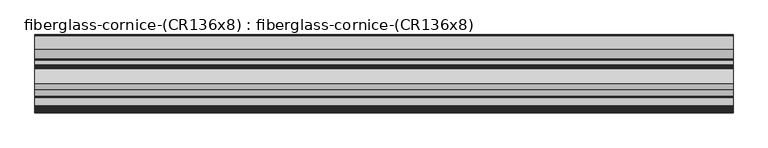
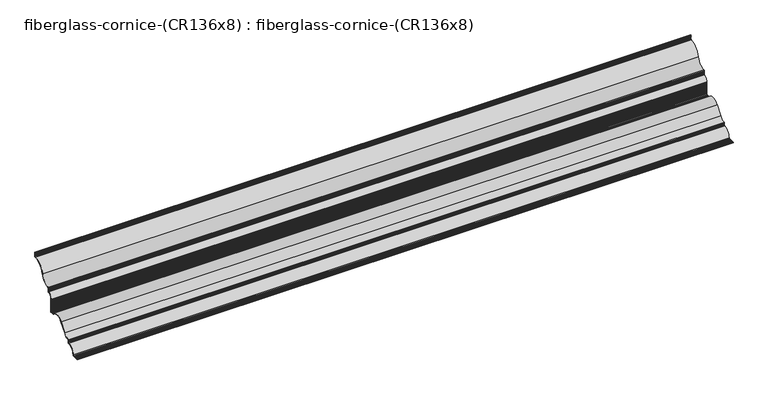
"""IFC4 building model written with IfcOpenShell, lengths in millimetres: furniture geometry, fiberglass-cornice-(CR136x8) : fiberglass-cornice-(CR136x8)."""

from ifc_helpers import new_model, si_unit, frame, origin, place, context, project, spatial, polyline, circle_curve, source, transform, mapped, element, save
from ifc_brep_helpers import plane_surface, cylinder_surface, revolved_surface, advanced_brep


def fiberglass_cornice_cr136x8_fiberglass_cornice_cr136x8_6ef6a0c7(model_context):
    return source(origin(), model_context, "Body", "AdvancedBrep", [
        advanced_brep(
        [(2012.9498044, 552.4499801, 330.1999904), (2012.9498044, 549.2749897, 330.1999904), (2012.9498044, 549.0984705, 326.3833858), (2012.9498044, 549.2879537, 322.5683607), (2012.9498044, 549.1142062, 318.7512197), (2012.9498044, 549.3563202, 315.1094653), (2012.9498044, 549.512395, 311.4700653), (2012.9498044, 549.324402, 307.8281321), (2012.9498044, 549.2749894, 304.1818256), (2012.9498044, 546.2697068, 301.2724053), (2012.9498044, 471.1996857, 237.2562514), (2012.9498044, 412.6023492, 187.5699411), (2012.9498044, 409.574995, 184.195264), (2012.9498044, 409.6268502, 180.9869148), (2012.9498044, 409.3494502, 177.7869798), (2012.9498044, 409.6453873, 174.5780744), (2012.9498044, 409.8799912, 170.4964973), (2012.9498044, 409.6053329, 166.4063074), (2012.9498044, 409.5749944, 162.3249034), (2012.9498044, 406.7339713, 159.5224058), (2012.9498044, 381.1029959, 128.4779186), (2012.9498044, 380.9381214, 123.6200519), (2012.9498044, 381.0920206, 118.7568642), (2012.9498044, 381.2046734, 113.8910986), (2012.9498044, 380.7974545, 109.0275832), (2012.9498044, 381.1490623, 104.1644104), (2012.9498044, 381.0005871, 97.9753174), (2012.9498044, 381.0162631, 91.7786546), (2012.9498044, 380.8961001, 85.5814852), (2012.9498044, 381.1211673, 79.3883987), (2012.9498044, 380.9253064, 73.1885023), (2012.9498044, 381.0460654, 69.9948855), (2012.9498044, 380.7499496, 66.8101348), (2012.9498044, 381.0206738, 63.6180378), (2012.9498044, 381.3124982, 59.5580973), (2012.9498044, 381.0817686, 55.4869063), (2012.9498044, 380.9999912, 51.4244554), (2012.9498044, 377.4921257, 47.6249932), (2012.9498044, 373.4309164, 47.3447777), (2012.9498044, 369.3758932, 47.3287292), (2012.9498044, 365.9395662, 47.6813503), (2012.9498044, 362.5049082, 47.8277691), (2012.9498044, 359.064578, 47.5424397), (2012.9498044, 356.3398446, 48.6977027), (2012.9498044, 272.1961332, 46.3237859), (2012.9498044, 234.9515207, -2.2480043), (2012.9498044, 197.0119983, -22.2026485), (2012.9498044, 193.6516823, -25.8581075), (2012.9498044, 193.9005939, -28.686624), (2012.9498044, 193.9605561, -31.5143354), (2012.9498044, 193.7656489, -35.1153351), (2012.9498044, 193.7044299, -38.7212436), (2012.9498044, 190.8915917, -41.6048943), (2012.9498044, 143.2209018, -89.1490822), (2012.9498044, 139.8122591, -91.9550288), (2012.9498044, 135.6137482, -92.0466189), (2012.9498044, 131.4129916, -92.3979515), (2012.9498044, 127.2131291, -92.1156623), (2012.9498044, 123.0077234, -92.0107698), (2012.9498044, 117.6558224, -92.0107698), (2012.9498044, 112.3036829, -92.2111978), (2012.9498044, 106.9565502, -92.1817536), (2012.9498044, 101.6, -92.0750068), (2012.9498044, 101.6, -95.2500068), (2012.9498044, 142.9684555, -95.2500068), (2012.9498044, 146.1379577, -92.2617715), (2012.9498044, 193.861757, -44.5379722), (2012.9498044, 196.8499923, -41.36847), (2012.9498044, 196.8500105, -28.4366962), (2012.9498044, 199.7991617, -25.258983), (2012.9498044, 237.5545166, -4.0711241), (2012.9498044, 275.5183711, 45.4386265), (2012.9498044, 354.6618139, 45.6798546), (2012.9498044, 357.1712084, 44.4499932), (2012.9498044, 380.999991, 44.4499888), (2012.9498044, 384.1749923, 47.6249932), (2012.9498044, 384.1750113, 130.1744654), (2012.9498044, 409.6920981, 156.4870046), (2012.9498044, 412.7500144, 158.750067), (2012.9498044, 412.7500144, 181.4169244), (2012.9498044, 415.6441319, 184.5913306), (2012.9498044, 474.3057972, 236.5984546), (2012.9498044, 549.3159291, 298.1923204), (2012.9498044, 552.4499801, 301.3582694), (-2012.9498044, 552.4499801, 330.1999904), (-2012.9498044, 552.4499801, 301.3582694), (-2012.9498044, 549.3159291, 298.1923204), (-2012.9498044, 474.3057972, 236.5984546), (-2012.9498044, 415.6441319, 184.5913306), (-2012.9498044, 412.7500144, 181.4169244), (-2012.9498044, 412.7500144, 158.750067), (-2012.9498044, 409.6920981, 156.4870046), (-2012.9498044, 384.1750113, 130.1744654), (-2012.9498044, 384.1750113, 47.6249941), (-2012.9498044, 380.9999923, 44.4499932), (-2012.9498044, 357.1711865, 44.4499888), (-2012.9498044, 354.6618139, 45.6798546), (-2012.9498044, 275.5183711, 45.4386265), (-2012.9498044, 237.5545166, -4.0711241), (-2012.9498044, 199.7991617, -25.258983), (-2012.9498044, 196.8500105, -28.4366962), (-2012.9498044, 196.8500105, -41.3684696), (-2012.9498044, 193.861757, -44.5379722), (-2012.9498044, 146.1379577, -92.2617715), (-2012.9498044, 142.9684555, -95.2500068), (-2012.9498044, 101.6, -95.2500068), (-2012.9498044, 101.6, -92.0750068), (-2012.9498044, 106.9565502, -92.1817536), (-2012.9498044, 112.3036829, -92.2111978), (-2012.9498044, 117.6558224, -92.0107698), (-2012.9498044, 123.0077234, -92.0107698), (-2012.9498044, 127.2131291, -92.1156623), (-2012.9498044, 131.4129916, -92.3979515), (-2012.9498044, 135.6137482, -92.0466189), (-2012.9498044, 139.8122591, -91.9550288), (-2012.9498044, 143.2209018, -89.1490822), (-2012.9498044, 190.8915917, -41.6048943), (-2012.9498044, 193.7044299, -38.7212436), (-2012.9498044, 193.7656489, -35.1153351), (-2012.9498044, 193.9605561, -31.5143354), (-2012.9498044, 193.9005939, -28.686624), (-2012.9498044, 193.6516823, -25.8581075), (-2012.9498044, 197.0119983, -22.2026485), (-2012.9498044, 234.9515207, -2.2480043), (-2012.9498044, 272.1961332, 46.3237859), (-2012.9498044, 356.3398446, 48.6977027), (-2012.9498044, 359.064578, 47.5424397), (-2012.9498044, 362.5049082, 47.8277691), (-2012.9498044, 365.9395662, 47.6813503), (-2012.9498044, 369.3758932, 47.3287292), (-2012.9498044, 373.4309164, 47.3447777), (-2012.9498044, 377.4921257, 47.6249932), (-2012.9498044, 380.9999912, 51.4244554), (-2012.9498044, 381.0817686, 55.4869063), (-2012.9498044, 381.3124982, 59.5580973), (-2012.9498044, 381.0206738, 63.6180378), (-2012.9498044, 380.7499496, 66.8101348), (-2012.9498044, 381.0460654, 69.9948855), (-2012.9498044, 380.9253064, 73.1885023), (-2012.9498044, 381.1211673, 79.3883987), (-2012.9498044, 380.8961001, 85.5814852), (-2012.9498044, 381.0162631, 91.7786546), (-2012.9498044, 381.0005871, 97.9753174), (-2012.9498044, 381.1490623, 104.1644104), (-2012.9498044, 380.7974545, 109.0275832), (-2012.9498044, 381.2046734, 113.8910986), (-2012.9498044, 381.0920206, 118.7568642), (-2012.9498044, 380.9381214, 123.6200519), (-2012.9498044, 381.1029959, 128.4779186), (-2012.9498044, 406.7339713, 159.5224058), (-2012.9498044, 409.5749944, 162.3249034), (-2012.9498044, 409.6053329, 166.4063074), (-2012.9498044, 409.8799912, 170.4964973), (-2012.9498044, 409.6453873, 174.5780744), (-2012.9498044, 409.3494502, 177.7869798), (-2012.9498044, 409.6268502, 180.9869148), (-2012.9498044, 409.574995, 184.195264), (-2012.9498044, 412.6023492, 187.5699411), (-2012.9498044, 471.1996857, 237.2562514), (-2012.9498044, 546.2697068, 301.2724053), (-2012.9498044, 549.2749894, 304.1818256), (-2012.9498044, 549.324402, 307.8281321), (-2012.9498044, 549.512395, 311.4700653), (-2012.9498044, 549.3563202, 315.1094653), (-2012.9498044, 549.1142062, 318.7512197), (-2012.9498044, 549.2879537, 322.5683607), (-2012.9498044, 549.0984705, 326.3833858), (-2012.9498044, 549.2749897, 330.1999904)],
        [
            (0, 1),
            (1, 2),
            (2, 3),
            (3, 4),
            (4, 5),
            (5, 6),
            (6, 7),
            (7, 8),
            (8, 9, circle_curve(frame((2012.9498044, 546.1107848, 304.4434255), z_axis=(-1.0, 0.0, 0.0), x_axis=(0.0, 1.0, 0.0)), 3.175)),
            (9, 10, circle_curve(frame((2012.9498044, 550.3177251, 220.5010295), z_axis=(1.0, 0.0, 0.0), x_axis=(0.0, 1.0, 0.0)), 80.8727495)),
            (10, 11, circle_curve(frame((2012.9498044, 409.8125305, 250.2565155), z_axis=(-1.0, 0.0, 0.0), x_axis=(0.0, 1.0, 0.0)), 62.748623)),
            (11, 12, circle_curve(frame((2012.9498044, 412.7435105, 184.3980807), z_axis=(1.0, 0.0, 0.0), x_axis=(0.0, 1.0, 0.0)), 3.175)),
            (12, 13),
            (13, 14),
            (14, 15),
            (15, 16),
            (16, 17),
            (17, 18),
            (18, 19, circle_curve(frame((2012.9498044, 406.4201235, 162.6818559), z_axis=(-1.0, 0.0, 0.0), x_axis=(0.0, 1.0, 0.0)), 3.175)),
            (19, 20, circle_curve(frame((2012.9498044, 409.5586011, 131.0873554), z_axis=(1.0, 0.0, 0.0), x_axis=(0.0, 1.0, 0.0)), 28.575)),
            (20, 21),
            (21, 22),
            (22, 23),
            (23, 24),
            (24, 25),
            (25, 26),
            (26, 27),
            (27, 28),
            (28, 29),
            (29, 30),
            (30, 31),
            (31, 32),
            (32, 33),
            (33, 34),
            (34, 35),
            (35, 36),
            (36, 37, circle_curve(frame((2012.9498044, 377.8921903, 50.7746874), z_axis=(-1.0, 0.0, 0.0), x_axis=(0.0, 1.0, 0.0)), 3.175)),
            (37, 38),
            (38, 39),
            (39, 40),
            (40, 41),
            (41, 42),
            (42, 43, circle_curve(frame((2012.9498044, 358.798746, 50.7062915), z_axis=(-1.0, 0.0, 0.0), x_axis=(0.0, 1.0, 0.0)), 3.175)),
            (43, 44, circle_curve(frame((2012.9498044, 315.1829984, 15.0781422), z_axis=(1.0, 0.0, 0.0), x_axis=(0.0, 1.0, 0.0)), 53.1428343)),
            (44, 45),
            (45, 46, circle_curve(frame((2012.9498044, 196.1858731, 25.4123516), z_axis=(-1.0, 0.0, 0.0), x_axis=(0.0, 1.0, 0.0)), 47.6221662)),
            (46, 47, circle_curve(frame((2012.9498044, 197.0714552, -25.6295357), z_axis=(1.0, 0.0, 0.0), x_axis=(0.0, 1.0, 0.0)), 3.427403)),
            (47, 48),
            (48, 49),
            (49, 50),
            (50, 51),
            (51, 52, circle_curve(frame((2012.9498044, 190.5410975, -38.4492995), z_axis=(-1.0, 0.0, 0.0), x_axis=(0.0, 1.0, 0.0)), 3.175)),
            (52, 53, circle_curve(frame((2012.9498044, 196.8499923, -95.2500068), z_axis=(1.0, 0.0, 0.0), x_axis=(0.0, 1.0, 0.0)), 53.975)),
            (53, 54, circle_curve(frame((2012.9498044, 140.0662494, -88.7902043), z_axis=(-1.0, 0.0, 0.0), x_axis=(0.0, 1.0, 0.0)), 3.175)),
            (54, 55),
            (55, 56),
            (56, 57),
            (57, 58),
            (58, 59),
            (59, 60),
            (60, 61),
            (61, 62),
            (62, 63),
            (63, 64),
            (64, 65, circle_curve(frame((2012.9498044, 142.9684555, -92.0750068), z_axis=(1.0, 0.0, 0.0), x_axis=(0.0, 1.0, 0.0)), 3.175)),
            (65, 66, circle_curve(frame((2012.9498044, 196.8499923, -95.2500068), z_axis=(-1.0, 0.0, 0.0), x_axis=(0.0, 1.0, 0.0)), 50.8)),
            (66, 67, circle_curve(frame((2012.9498044, 193.6749923, -41.36847), z_axis=(1.0, 0.0, 0.0), x_axis=(0.0, 1.0, 0.0)), 3.175)),
            (67, 68),
            (68, 69, circle_curve(frame((2012.9498044, 200.0249923, -28.4259414), z_axis=(-1.0, 0.0, 0.0), x_axis=(0.0, 1.0, 0.0)), 3.175)),
            (69, 70, circle_curve(frame((2012.9498044, 196.1858731, 25.4123516), z_axis=(1.0, 0.0, 0.0), x_axis=(0.0, 1.0, 0.0)), 50.8)),
            (70, 71),
            (71, 72, circle_curve(frame((2012.9498044, 315.1829984, 15.0781422), z_axis=(-1.0, 0.0, 0.0), x_axis=(0.0, 1.0, 0.0)), 49.9503921)),
            (72, 73, circle_curve(frame((2012.9498044, 357.1712084, 47.6249932), z_axis=(1.0, 0.0, 0.0), x_axis=(0.0, 1.0, 0.0)), 3.175)),
            (73, 74),
            (74, 75, circle_curve(frame((2012.9498044, 380.9999923, 47.6249932), z_axis=(1.0, 0.0, 0.0), x_axis=(0.0, 1.0, 0.0)), 3.175)),
            (75, 76),
            (76, 77, circle_curve(frame((2012.9498044, 409.5586011, 131.0873554), z_axis=(-1.0, 0.0, 0.0), x_axis=(0.0, 1.0, 0.0)), 25.4)),
            (77, 78, circle_curve(frame((2012.9498044, 409.7087852, 159.6619607), z_axis=(1.0, 0.0, 0.0), x_axis=(0.0, 1.0, 0.0)), 3.175)),
            (78, 79),
            (79, 80, circle_curve(frame((2012.9498044, 415.9249923, 181.4287775), z_axis=(-1.0, 0.0, 0.0), x_axis=(0.0, 1.0, 0.0)), 3.175)),
            (80, 81, circle_curve(frame((2012.9498044, 409.8125305, 250.2565155), z_axis=(1.0, 0.0, 0.0), x_axis=(0.0, 1.0, 0.0)), 65.923623)),
            (81, 82, circle_curve(frame((2012.9498044, 550.3177251, 220.5010295), z_axis=(-1.0, 0.0, 0.0), x_axis=(0.0, 1.0, 0.0)), 77.6977495)),
            (82, 83, circle_curve(frame((2012.9498044, 549.2749923, 301.3670564), z_axis=(1.0, 0.0, 0.0), x_axis=(0.0, 1.0, 0.0)), 3.175)),
            (83, 0),
            (84, 85),
            (85, 86, circle_curve(frame((-2012.9498044, 549.2749923, 301.3670564), z_axis=(-1.0, 0.0, 0.0), x_axis=(0.0, 1.0, 0.0)), 3.175)),
            (86, 87, circle_curve(frame((-2012.9498044, 550.3177251, 220.5010295), z_axis=(1.0, 0.0, 0.0), x_axis=(0.0, 1.0, 0.0)), 77.6977495)),
            (87, 88, circle_curve(frame((-2012.9498044, 409.8125305, 250.2565155), z_axis=(-1.0, 0.0, 0.0), x_axis=(0.0, 1.0, 0.0)), 65.923623)),
            (88, 89, circle_curve(frame((-2012.9498044, 415.9249923, 181.4287775), z_axis=(1.0, 0.0, 0.0), x_axis=(0.0, 1.0, 0.0)), 3.175)),
            (89, 90),
            (90, 91, circle_curve(frame((-2012.9498044, 409.7087852, 159.6619607), z_axis=(-1.0, 0.0, 0.0), x_axis=(0.0, 1.0, 0.0)), 3.175)),
            (91, 92, circle_curve(frame((-2012.9498044, 409.5586011, 131.0873554), z_axis=(1.0, 0.0, 0.0), x_axis=(0.0, 1.0, 0.0)), 25.4)),
            (92, 93),
            (93, 94, circle_curve(frame((-2012.9498044, 380.9999923, 47.6249932), z_axis=(-1.0, 0.0, 0.0), x_axis=(0.0, 1.0, 0.0)), 3.175)),
            (94, 95),
            (95, 96, circle_curve(frame((-2012.9498044, 357.1712084, 47.6249932), z_axis=(-1.0, 0.0, 0.0), x_axis=(0.0, 1.0, 0.0)), 3.175)),
            (96, 97, circle_curve(frame((-2012.9498044, 315.1829984, 15.0781422), z_axis=(1.0, 0.0, 0.0), x_axis=(0.0, 1.0, 0.0)), 49.9503921)),
            (97, 98),
            (98, 99, circle_curve(frame((-2012.9498044, 196.1858731, 25.4123516), z_axis=(-1.0, 0.0, 0.0), x_axis=(0.0, 1.0, 0.0)), 50.8)),
            (99, 100, circle_curve(frame((-2012.9498044, 200.0249923, -28.4259414), z_axis=(1.0, 0.0, 0.0), x_axis=(0.0, 1.0, 0.0)), 3.175)),
            (100, 101),
            (101, 102, circle_curve(frame((-2012.9498044, 193.6749923, -41.36847), z_axis=(-1.0, 0.0, 0.0), x_axis=(0.0, 1.0, 0.0)), 3.175)),
            (102, 103, circle_curve(frame((-2012.9498044, 196.8499923, -95.2500068), z_axis=(1.0, 0.0, 0.0), x_axis=(0.0, 1.0, 0.0)), 50.8)),
            (103, 104, circle_curve(frame((-2012.9498044, 142.9684555, -92.0750068), z_axis=(-1.0, 0.0, 0.0), x_axis=(0.0, 1.0, 0.0)), 3.175)),
            (104, 105),
            (105, 106),
            (106, 107),
            (107, 108),
            (108, 109),
            (109, 110),
            (110, 111),
            (111, 112),
            (112, 113),
            (113, 114),
            (114, 115, circle_curve(frame((-2012.9498044, 140.0662494, -88.7902043), z_axis=(1.0, 0.0, 0.0), x_axis=(0.0, 1.0, 0.0)), 3.175)),
            (115, 116, circle_curve(frame((-2012.9498044, 196.8499923, -95.2500068), z_axis=(-1.0, 0.0, 0.0), x_axis=(0.0, 1.0, 0.0)), 53.975)),
            (116, 117, circle_curve(frame((-2012.9498044, 190.5410975, -38.4492995), z_axis=(1.0, 0.0, 0.0), x_axis=(0.0, 1.0, 0.0)), 3.175)),
            (117, 118),
            (118, 119),
            (119, 120),
            (120, 121),
            (121, 122, circle_curve(frame((-2012.9498044, 197.0714552, -25.6295357), z_axis=(-1.0, 0.0, 0.0), x_axis=(0.0, 1.0, 0.0)), 3.427403)),
            (122, 123, circle_curve(frame((-2012.9498044, 196.1858731, 25.4123516), z_axis=(1.0, 0.0, 0.0), x_axis=(0.0, 1.0, 0.0)), 47.6221662)),
            (123, 124),
            (124, 125, circle_curve(frame((-2012.9498044, 315.1829984, 15.0781422), z_axis=(-1.0, 0.0, 0.0), x_axis=(0.0, 1.0, 0.0)), 53.1428343)),
            (125, 126, circle_curve(frame((-2012.9498044, 358.798746, 50.7062915), z_axis=(1.0, 0.0, 0.0), x_axis=(0.0, 1.0, 0.0)), 3.175)),
            (126, 127),
            (127, 128),
            (128, 129),
            (129, 130),
            (130, 131),
            (131, 132, circle_curve(frame((-2012.9498044, 377.8921903, 50.7746874), z_axis=(1.0, 0.0, 0.0), x_axis=(0.0, 1.0, 0.0)), 3.175)),
            (132, 133),
            (133, 134),
            (134, 135),
            (135, 136),
            (136, 137),
            (137, 138),
            (138, 139),
            (139, 140),
            (140, 141),
            (141, 142),
            (142, 143),
            (143, 144),
            (144, 145),
            (145, 146),
            (146, 147),
            (147, 148),
            (148, 149, circle_curve(frame((-2012.9498044, 409.5586011, 131.0873554), z_axis=(-1.0, 0.0, 0.0), x_axis=(0.0, 1.0, 0.0)), 28.575)),
            (149, 150, circle_curve(frame((-2012.9498044, 406.4201235, 162.6818559), z_axis=(1.0, 0.0, 0.0), x_axis=(0.0, 1.0, 0.0)), 3.175)),
            (150, 151),
            (151, 152),
            (152, 153),
            (153, 154),
            (154, 155),
            (155, 156),
            (156, 157, circle_curve(frame((-2012.9498044, 412.7435105, 184.3980807), z_axis=(-1.0, 0.0, 0.0), x_axis=(0.0, 1.0, 0.0)), 3.175)),
            (157, 158, circle_curve(frame((-2012.9498044, 409.8125305, 250.2565155), z_axis=(1.0, 0.0, 0.0), x_axis=(0.0, 1.0, 0.0)), 62.748623)),
            (158, 159, circle_curve(frame((-2012.9498044, 550.3177251, 220.5010295), z_axis=(-1.0, 0.0, 0.0), x_axis=(0.0, 1.0, 0.0)), 80.8727495)),
            (159, 160, circle_curve(frame((-2012.9498044, 546.1107848, 304.4434255), z_axis=(1.0, 0.0, 0.0), x_axis=(0.0, 1.0, 0.0)), 3.175)),
            (160, 161),
            (161, 162),
            (162, 163),
            (163, 164),
            (164, 165),
            (165, 166),
            (166, 167),
            (167, 84),
            (0, 84),
            (167, 1),
            (166, 2),
            (165, 3),
            (164, 4),
            (163, 5),
            (162, 6),
            (161, 7),
            (160, 8),
            (159, 9),
            (158, 10),
            (157, 11),
            (156, 12),
            (155, 13),
            (154, 14),
            (153, 15),
            (152, 16),
            (151, 17),
            (150, 18),
            (149, 19),
            (148, 20),
            (147, 21),
            (146, 22),
            (145, 23),
            (144, 24),
            (143, 25),
            (142, 26),
            (141, 27),
            (140, 28),
            (139, 29),
            (138, 30),
            (137, 31),
            (136, 32),
            (135, 33),
            (134, 34),
            (133, 35),
            (132, 36),
            (131, 37),
            (130, 38),
            (129, 39),
            (128, 40),
            (127, 41),
            (126, 42),
            (125, 43),
            (124, 44),
            (123, 45),
            (122, 46),
            (121, 47),
            (120, 48),
            (119, 49),
            (118, 50),
            (117, 51),
            (116, 52),
            (115, 53),
            (114, 54),
            (113, 55),
            (112, 56),
            (111, 57),
            (110, 58),
            (109, 59),
            (108, 60),
            (107, 61),
            (106, 62),
            (105, 63),
            (104, 64),
            (103, 65),
            (102, 66),
            (101, 67),
            (100, 68),
            (99, 69),
            (98, 70),
            (97, 71),
            (96, 72),
            (95, 73),
            (94, 74),
            (93, 75),
            (92, 76),
            (91, 77),
            (90, 78),
            (89, 79),
            (88, 80),
            (87, 81),
            (86, 82),
            (85, 83),
        ],
        [
            plane_surface(frame((2012.9498044, 101.6, 330.1999904), z_axis=(1.0, 0.0, 0.0), x_axis=(0.0, 0.0, 1.0))),
            plane_surface(frame((-2012.9498044, 101.6, 330.1999904), z_axis=(-1.0, 0.0, 0.0), x_axis=(0.0, 0.0, 1.0))),
            plane_surface(frame((2012.9498044, 552.4499801, 330.1999904), z_axis=(0.0, 0.0, 1.0), x_axis=(-1.0, 0.0, 0.0))),
            plane_surface(frame((2012.9498044, 549.2749897, 330.1999904), z_axis=(0.0, -0.9989321671430464, 0.04620092474071142), x_axis=(-1.0, 0.0, 0.0))),
            plane_surface(frame((2012.9498044, 549.0984705, 326.3833858), z_axis=(0.0, -0.9987688417866701, -0.049606458008141605), x_axis=(-1.0, 0.0, 0.0))),
            plane_surface(frame((2012.9498044, 549.2879537, 322.5683607), z_axis=(0.0, -0.998965675756781, 0.04547063513739325), x_axis=(-1.0, 0.0, 0.0))),
            plane_surface(frame((2012.9498044, 549.1142062, 318.7512197), z_axis=(0.0, -0.9977973171020496, -0.06633636999378363), x_axis=(-1.0, 0.0, 0.0))),
            plane_surface(frame((2012.9498044, 549.3563202, 315.1094653), z_axis=(0.0, -0.9990817154938739, -0.04284537041289275), x_axis=(-1.0, 0.0, 0.0))),
            plane_surface(frame((2012.9498044, 549.512395, 311.4700653), z_axis=(0.0, -0.998670394492518, 0.0515503944132186), x_axis=(-1.0, 0.0, 0.0))),
            plane_surface(frame((2012.9498044, 549.324402, 307.8281321), z_axis=(0.0, -0.999908192449934, 0.013550153929226316), x_axis=(-1.0, 0.0, 0.0))),
            revolved_surface(polyline([(-2012.9498044, 549.2857848, 304.4434255), (2012.9498044, 549.2857848, 304.4434255)]), (2012.9498044, 546.1107848, 304.4434255), (-1.0, 0.0, 0.0)),
            cylinder_surface(frame((2012.9498044, 550.3177251, 220.5010295), z_axis=(1.0, 0.0, 0.0), x_axis=(0.0, 1.0, 0.0)), 80.8727495),
            revolved_surface(polyline([(-2012.9498044, 472.5611535, 250.2565155), (2012.9498044, 472.5611535, 250.2565155)]), (2012.9498044, 409.8125305, 250.2565155), (-1.0, 0.0, 0.0)),
            cylinder_surface(frame((2012.9498044, 412.7435105, 184.3980807), z_axis=(1.0, 0.0, 0.0), x_axis=(0.0, 1.0, 0.0)), 3.175),
            plane_surface(frame((2012.9498044, 409.574995, 184.195264), z_axis=(0.0, -0.9998694108953011, -0.016160481301112528), x_axis=(-1.0, 0.0, 0.0))),
            plane_surface(frame((2012.9498044, 409.6268502, 180.9869148), z_axis=(0.0, -0.9962635320837003, 0.08636535555481696), x_axis=(-1.0, 0.0, 0.0))),
            plane_surface(frame((2012.9498044, 409.3494502, 177.7869798), z_axis=(0.0, -0.9957743327832589, -0.09183397067564693), x_axis=(-1.0, 0.0, 0.0))),
            plane_surface(frame((2012.9498044, 409.6453873, 174.5780744), z_axis=(0.0, -0.9983521795108804, -0.057384019255145594), x_axis=(-1.0, 0.0, 0.0))),
            plane_surface(frame((2012.9498044, 409.8799912, 170.4964973), z_axis=(0.0, -0.9977530029986814, 0.06699958960406611), x_axis=(-1.0, 0.0, 0.0))),
            plane_surface(frame((2012.9498044, 409.6053329, 166.4063074), z_axis=(0.0, -0.9999723736512529, 0.007433164486208132), x_axis=(-1.0, 0.0, 0.0))),
            revolved_surface(polyline([(-2012.9498044, 409.5951235, 162.6818559), (2012.9498044, 409.5951235, 162.6818559)]), (2012.9498044, 406.4201235, 162.6818559), (-1.0, 0.0, 0.0)),
            cylinder_surface(frame((2012.9498044, 409.5586011, 131.0873554), z_axis=(1.0, 0.0, 0.0), x_axis=(0.0, 1.0, 0.0)), 28.575),
            plane_surface(frame((2012.9498044, 381.1029959, 128.4779186), z_axis=(0.0, -0.9994245457765221, 0.03392016066283531), x_axis=(-1.0, 0.0, 0.0))),
            plane_surface(frame((2012.9498044, 380.9381214, 123.6200519), z_axis=(0.0, -0.9994996492154476, -0.03162991018319983), x_axis=(-1.0, 0.0, 0.0))),
            plane_surface(frame((2012.9498044, 381.0920206, 118.7568642), z_axis=(0.0, -0.9997320974124522, -0.023145915477669872), x_axis=(-1.0, 0.0, 0.0))),
            plane_surface(frame((2012.9498044, 381.2046734, 113.8910986), z_axis=(0.0, -0.9965130226587188, 0.08343737574722708), x_axis=(-1.0, 0.0, 0.0))),
            plane_surface(frame((2012.9498044, 380.7974545, 109.0275832), z_axis=(0.0, -0.997396551255303, -0.07211185439321183), x_axis=(-1.0, 0.0, 0.0))),
            plane_surface(frame((2012.9498044, 381.1490623, 104.1644104), z_axis=(0.0, -0.9997123686334591, 0.023982910608988925), x_axis=(-1.0, 0.0, 0.0))),
            plane_surface(frame((2012.9498044, 381.0005871, 97.9753174), z_axis=(0.0, -0.9999968001921529, -0.002529744148260443), x_axis=(-1.0, 0.0, 0.0))),
            plane_surface(frame((2012.9498044, 381.0162631, 91.7786546), z_axis=(0.0, -0.9998120674144907, 0.019386331585990114), x_axis=(-1.0, 0.0, 0.0))),
            plane_surface(frame((2012.9498044, 380.8961001, 85.5814852), z_axis=(0.0, -0.9993402947106387, -0.036317700473101976), x_axis=(-1.0, 0.0, 0.0))),
            plane_surface(frame((2012.9498044, 381.1211673, 79.3883987), z_axis=(0.0, -0.9995013778616307, 0.031575237967457766), x_axis=(-1.0, 0.0, 0.0))),
            plane_surface(frame((2012.9498044, 380.9253064, 73.1885023), z_axis=(0.0, -0.99928586871539, -0.03778561347561068), x_axis=(-1.0, 0.0, 0.0))),
            plane_surface(frame((2012.9498044, 381.0460654, 69.9948855), z_axis=(0.0, -0.9957052518535082, 0.09257997316559238), x_axis=(-1.0, 0.0, 0.0))),
            plane_surface(frame((2012.9498044, 380.7499496, 66.8101348), z_axis=(0.0, -0.9964228500438858, -0.08450741926257227), x_axis=(-1.0, 0.0, 0.0))),
            plane_surface(frame((2012.9498044, 381.0206738, 63.6180378), z_axis=(0.0, -0.9974266741436433, -0.07169400049341992), x_axis=(-1.0, 0.0, 0.0))),
            plane_surface(frame((2012.9498044, 381.3124982, 59.5580973), z_axis=(0.0, -0.9983979024369766, 0.0565829339063058), x_axis=(-1.0, 0.0, 0.0))),
            plane_surface(frame((2012.9498044, 381.0817686, 55.4869063), z_axis=(0.0, -0.9997974517400681, 0.020125990511436216), x_axis=(-1.0, 0.0, 0.0))),
            revolved_surface(polyline([(-2012.9498044, 381.0671903, 50.7746874), (2012.9498044, 381.0671903, 50.7746874)]), (2012.9498044, 377.8921903, 50.7746874), (-1.0, 0.0, 0.0)),
            plane_surface(frame((2012.9498044, 377.4921257, 47.6249932), z_axis=(0.0, -0.0688343770009092, 0.9976281013197738), x_axis=(-1.0, 0.0, 0.0))),
            plane_surface(frame((2012.9498044, 373.4309164, 47.3447777), z_axis=(0.0, -0.003957665383144824, 0.9999921684116907), x_axis=(-1.0, 0.0, 0.0))),
            plane_surface(frame((2012.9498044, 369.3758932, 47.3287292), z_axis=(0.0, 0.10207965320652505, 0.9947762283052585), x_axis=(-1.0, 0.0, 0.0))),
            plane_surface(frame((2012.9498044, 365.9395662, 47.6813503), z_axis=(0.0, 0.042591124157169376, 0.999092586371768), x_axis=(-1.0, 0.0, 0.0))),
            plane_surface(frame((2012.9498044, 362.5049082, 47.8277691), z_axis=(0.0, -0.08265284873020512, 0.9965783996238239), x_axis=(-1.0, 0.0, 0.0))),
            revolved_surface(polyline([(-2012.9498044, 361.973746, 50.7062915), (2012.9498044, 361.973746, 50.7062915)]), (2012.9498044, 358.798746, 50.7062915), (-1.0, 0.0, 0.0)),
            cylinder_surface(frame((2012.9498044, 315.1829984, 15.0781422), z_axis=(1.0, 0.0, 0.0), x_axis=(0.0, 1.0, 0.0)), 53.1428343),
            plane_surface(frame((2012.9498044, 272.1961332, 46.3237859), z_axis=(0.0, -0.7935571320394871, 0.6084957503461008), x_axis=(-1.0, 0.0, 0.0))),
            revolved_surface(polyline([(-2012.9498044, 243.80803930000002, 25.4123516), (2012.9498044, 243.80803930000002, 25.4123516)]), (2012.9498044, 196.1858731, 25.4123516), (-1.0, 0.0, 0.0)),
            cylinder_surface(frame((2012.9498044, 197.0714552, -25.6295357), z_axis=(1.0, 0.0, 0.0), x_axis=(0.0, 1.0, 0.0)), 3.427403),
            plane_surface(frame((2012.9498044, 193.6516823, -25.8581075), z_axis=(0.0, -0.9961502802986838, -0.08766195902929506), x_axis=(-1.0, 0.0, 0.0))),
            plane_surface(frame((2012.9498044, 193.9005939, -28.686624), z_axis=(0.0, -0.9997752448906091, -0.021200464710061942), x_axis=(-1.0, 0.0, 0.0))),
            plane_surface(frame((2012.9498044, 193.9605561, -31.5143354), z_axis=(0.0, -0.998538406548027, 0.05404674503175296), x_axis=(-1.0, 0.0, 0.0))),
            plane_surface(frame((2012.9498044, 193.7656489, -35.1153351), z_axis=(0.0, -0.9998559145139204, 0.01697498782125725), x_axis=(-1.0, 0.0, 0.0))),
            revolved_surface(polyline([(-2012.9498044, 193.71609750000002, -38.4492995), (2012.9498044, 193.71609750000002, -38.4492995)]), (2012.9498044, 190.5410975, -38.4492995), (-1.0, 0.0, 0.0)),
            cylinder_surface(frame((2012.9498044, 196.8499923, -95.2500068), z_axis=(1.0, 0.0, 0.0), x_axis=(0.0, 1.0, 0.0)), 53.975),
            revolved_surface(polyline([(-2012.9498044, 143.24124940000002, -88.7902043), (2012.9498044, 143.24124940000002, -88.7902043)]), (2012.9498044, 140.0662494, -88.7902043), (-1.0, 0.0, 0.0)),
            plane_surface(frame((2012.9498044, 139.8122591, -91.9550288), z_axis=(0.0, -0.021809730296354374, 0.9997621395434018), x_axis=(-1.0, 0.0, 0.0))),
            plane_surface(frame((2012.9498044, 135.6137482, -92.0466189), z_axis=(0.0, -0.08334456648227462, 0.9965207891649234), x_axis=(-1.0, 0.0, 0.0))),
            plane_surface(frame((2012.9498044, 131.4129916, -92.3979515), z_axis=(0.0, 0.06706260755676188, 0.9977487693140432), x_axis=(-1.0, 0.0, 0.0))),
            plane_surface(frame((2012.9498044, 127.2131291, -92.1156623), z_axis=(0.0, 0.024934555155088127, 0.9996890856457411), x_axis=(-1.0, 0.0, 0.0))),
            plane_surface(frame((2012.9498044, 123.0077234, -92.0107698), z_axis=(0.0, 0.0, 1.0), x_axis=(-1.0, 0.0, 0.0))),
            plane_surface(frame((2012.9498044, 117.6558224, -92.0107698), z_axis=(0.0, -0.037421984284345323, 0.9992995522325737), x_axis=(-1.0, 0.0, 0.0))),
            plane_surface(frame((2012.9498044, 112.3036829, -92.2111978), z_axis=(0.0, 0.005506461913263334, 0.9999848393236759), x_axis=(-1.0, 0.0, 0.0))),
            plane_surface(frame((2012.9498044, 106.9565502, -92.1817536), z_axis=(0.0, 0.019924317333317815, 0.9998014910865063), x_axis=(-1.0, 0.0, 0.0))),
            plane_surface(frame((2012.9498044, 101.6, -92.0750068), z_axis=(0.0, -1.0, 0.0), x_axis=(-1.0, 0.0, 0.0))),
            plane_surface(frame((2012.9498044, 101.6, -95.2500068), z_axis=(0.0, 0.0, -1.0), x_axis=(-1.0, 0.0, 0.0))),
            cylinder_surface(frame((2012.9498044, 142.9684555, -92.0750068), z_axis=(1.0, 0.0, 0.0), x_axis=(0.0, 1.0, 0.0)), 3.175),
            revolved_surface(polyline([(-2012.9498044, 247.6499923, -95.2500068), (2012.9498044, 247.6499923, -95.2500068)]), (2012.9498044, 196.8499923, -95.2500068), (-1.0, 0.0, 0.0)),
            cylinder_surface(frame((2012.9498044, 193.6749923, -41.36847), z_axis=(1.0, 0.0, 0.0), x_axis=(0.0, 1.0, 0.0)), 3.175),
            plane_surface(frame((2012.9498044, 196.8500105, -41.3684696), z_axis=(0.0, 1.0, 0.0), x_axis=(-1.0, 0.0, 0.0))),
            revolved_surface(polyline([(-2012.9498044, 203.19999230000002, -28.4259414), (2012.9498044, 203.19999230000002, -28.4259414)]), (2012.9498044, 200.0249923, -28.4259414), (-1.0, 0.0, 0.0)),
            cylinder_surface(frame((2012.9498044, 196.1858731, 25.4123516), z_axis=(1.0, 0.0, 0.0), x_axis=(0.0, 1.0, 0.0)), 50.8),
            plane_surface(frame((2012.9498044, 237.5545166, -4.0711241), z_axis=(0.0, 0.7935569893914133, -0.608495936377587), x_axis=(-1.0, 0.0, 0.0))),
            revolved_surface(polyline([(-2012.9498044, 365.13339049999996, 15.0781422), (2012.9498044, 365.13339049999996, 15.0781422)]), (2012.9498044, 315.1829984, 15.0781422), (-1.0, 0.0, 0.0)),
            cylinder_surface(frame((2012.9498044, 357.1712084, 47.6249932), z_axis=(1.0, 0.0, 0.0), x_axis=(0.0, 1.0, 0.0)), 3.175),
            plane_surface(frame((2012.9498044, 357.1711865, 44.4499888), z_axis=(0.0, 0.0, -1.0), x_axis=(-1.0, 0.0, 0.0))),
            cylinder_surface(frame((2012.9498044, 380.9999923, 47.6249932), z_axis=(1.0, 0.0, 0.0), x_axis=(0.0, 1.0, 0.0)), 3.175),
            plane_surface(frame((2012.9498044, 384.1750113, 47.6249941), z_axis=(0.0, 1.0, 0.0), x_axis=(-1.0, 0.0, 0.0))),
            revolved_surface(polyline([(-2012.9498044, 434.95860109999995, 131.0873554), (2012.9498044, 434.95860109999995, 131.0873554)]), (2012.9498044, 409.5586011, 131.0873554), (-1.0, 0.0, 0.0)),
            cylinder_surface(frame((2012.9498044, 409.7087852, 159.6619607), z_axis=(1.0, 0.0, 0.0), x_axis=(0.0, 1.0, 0.0)), 3.175),
            plane_surface(frame((2012.9498044, 412.7500144, 158.750067), z_axis=(0.0, 1.0, 0.0), x_axis=(-1.0, 0.0, 0.0))),
            revolved_surface(polyline([(-2012.9498044, 419.0999923, 181.4287775), (2012.9498044, 419.0999923, 181.4287775)]), (2012.9498044, 415.9249923, 181.4287775), (-1.0, 0.0, 0.0)),
            cylinder_surface(frame((2012.9498044, 409.8125305, 250.2565155), z_axis=(1.0, 0.0, 0.0), x_axis=(0.0, 1.0, 0.0)), 65.923623),
            revolved_surface(polyline([(-2012.9498044, 628.0154746, 220.5010295), (2012.9498044, 628.0154746, 220.5010295)]), (2012.9498044, 550.3177251, 220.5010295), (-1.0, 0.0, 0.0)),
            cylinder_surface(frame((2012.9498044, 549.2749923, 301.3670564), z_axis=(1.0, 0.0, 0.0), x_axis=(0.0, 1.0, 0.0)), 3.175),
            plane_surface(frame((2012.9498044, 552.4499801, 301.3582694), z_axis=(0.0, 1.0, 0.0), x_axis=(-1.0, 0.0, 0.0))),
        ],
        [
            (0, [[1, 2, 3, 4, 5, 6, 7, 8, 9, 10, 11, 12, 13, 14, 15, 16, 17, 18, 19, 20, 21, 22, 23, 24, 25, 26, 27, 28, 29, 30, 31, 32, 33, 34, 35, 36, 37, 38, 39, 40, 41, 42, 43, 44, 45, 46, 47, 48, 49, 50, 51, 52, 53, 54, 55, 56, 57, 58, 59, 60, 61, 62, 63, 64, 65, 66, 67, 68, 69, 70, 71, 72, 73, 74, 75, 76, 77, 78, 79, 80, 81, 82, 83, 84]]),
            (1, [[85, 86, 87, 88, 89, 90, 91, 92, 93, 94, 95, 96, 97, 98, 99, 100, 101, 102, 103, 104, 105, 106, 107, 108, 109, 110, 111, 112, 113, 114, 115, 116, 117, 118, 119, 120, 121, 122, 123, 124, 125, 126, 127, 128, 129, 130, 131, 132, 133, 134, 135, 136, 137, 138, 139, 140, 141, 142, 143, 144, 145, 146, 147, 148, 149, 150, 151, 152, 153, 154, 155, 156, 157, 158, 159, 160, 161, 162, 163, 164, 165, 166, 167, 168]]),
            (2, [[-1, 169, -168, 170]]),
            (3, [[-2, -170, -167, 171]]),
            (4, [[-3, -171, -166, 172]]),
            (5, [[-4, -172, -165, 173]]),
            (6, [[-5, -173, -164, 174]]),
            (7, [[-6, -174, -163, 175]]),
            (8, [[-7, -175, -162, 176]]),
            (9, [[-8, -176, -161, 177]]),
            (10, [[-9, -177, -160, 178]]),
            (11, [[-10, -178, -159, 179]]),
            (12, [[-11, -179, -158, 180]]),
            (13, [[-12, -180, -157, 181]]),
            (14, [[-13, -181, -156, 182]]),
            (15, [[-14, -182, -155, 183]]),
            (16, [[-15, -183, -154, 184]]),
            (17, [[-16, -184, -153, 185]]),
            (18, [[-17, -185, -152, 186]]),
            (19, [[-18, -186, -151, 187]]),
            (20, [[-19, -187, -150, 188]]),
            (21, [[-20, -188, -149, 189]]),
            (22, [[-21, -189, -148, 190]]),
            (23, [[-22, -190, -147, 191]]),
            (24, [[-23, -191, -146, 192]]),
            (25, [[-24, -192, -145, 193]]),
            (26, [[-25, -193, -144, 194]]),
            (27, [[-26, -194, -143, 195]]),
            (28, [[-27, -195, -142, 196]]),
            (29, [[-28, -196, -141, 197]]),
            (30, [[-29, -197, -140, 198]]),
            (31, [[-30, -198, -139, 199]]),
            (32, [[-31, -199, -138, 200]]),
            (33, [[-32, -200, -137, 201]]),
            (34, [[-33, -201, -136, 202]]),
            (35, [[-34, -202, -135, 203]]),
            (36, [[-35, -203, -134, 204]]),
            (37, [[-36, -204, -133, 205]]),
            (38, [[-37, -205, -132, 206]]),
            (39, [[-38, -206, -131, 207]]),
            (40, [[-39, -207, -130, 208]]),
            (41, [[-40, -208, -129, 209]]),
            (42, [[-41, -209, -128, 210]]),
            (43, [[-42, -210, -127, 211]]),
            (44, [[-43, -211, -126, 212]]),
            (45, [[-44, -212, -125, 213]]),
            (46, [[-45, -213, -124, 214]]),
            (47, [[-46, -214, -123, 215]]),
            (48, [[-47, -215, -122, 216]]),
            (49, [[-48, -216, -121, 217]]),
            (50, [[-49, -217, -120, 218]]),
            (51, [[-50, -218, -119, 219]]),
            (52, [[-51, -219, -118, 220]]),
            (53, [[-52, -220, -117, 221]]),
            (54, [[-53, -221, -116, 222]]),
            (55, [[-54, -222, -115, 223]]),
            (56, [[-55, -223, -114, 224]]),
            (57, [[-56, -224, -113, 225]]),
            (58, [[-57, -225, -112, 226]]),
            (59, [[-58, -226, -111, 227]]),
            (60, [[-59, -227, -110, 228]]),
            (61, [[-60, -228, -109, 229]]),
            (62, [[-61, -229, -108, 230]]),
            (63, [[-62, -230, -107, 231]]),
            (64, [[-63, -231, -106, 232]]),
            (65, [[-64, -232, -105, 233]]),
            (66, [[-65, -233, -104, 234]]),
            (67, [[-66, -234, -103, 235]]),
            (68, [[-67, -235, -102, 236]]),
            (69, [[-68, -236, -101, 237]]),
            (70, [[-69, -237, -100, 238]]),
            (71, [[-70, -238, -99, 239]]),
            (72, [[-71, -239, -98, 240]]),
            (73, [[-72, -240, -97, 241]]),
            (74, [[-73, -241, -96, 242]]),
            (75, [[-74, -242, -95, 243]]),
            (76, [[-75, -243, -94, 244]]),
            (77, [[-76, -244, -93, 245]]),
            (78, [[-77, -245, -92, 246]]),
            (79, [[-78, -246, -91, 247]]),
            (80, [[-79, -247, -90, 248]]),
            (81, [[-80, -248, -89, 249]]),
            (82, [[-81, -249, -88, 250]]),
            (83, [[-82, -250, -87, 251]]),
            (84, [[-83, -251, -86, 252]]),
            (85, [[-84, -252, -85, -169]]),
        ],
    ),
    ])


if __name__ == "__main__":
    model = new_model("IFC4")
    model_context = context("Model", 3, world=origin())
    ifc_project = project(units=[si_unit("LENGTHUNIT", "METRE", prefix="MILLI")], contexts=[model_context])
    site = spatial("IfcSite", under=ifc_project)
    building = spatial("IfcBuilding", under=site)
    placement = place(None, origin())
    fiberglass_cornice_cr136x8_fiberglass_cornice_cr136x8_shape = fiberglass_cornice_cr136x8_fiberglass_cornice_cr136x8_6ef6a0c7(model_context)
    element("IfcFurniture", 1, ObjectType="fiberglass-cornice-(CR136x8) : fiberglass-cornice-(CR136x8)", at=placement, inside=building, context=model_context, shape_type="MappedRepresentation", body=[
        mapped(fiberglass_cornice_cr136x8_fiberglass_cornice_cr136x8_shape, transform((0.0, 0.0, 0.0), x_axis=(1.0, 0.0, 0.0), y_axis=(0.0, 1.0, 0.0), z_axis=(0.0, 0.0, 1.0))),
    ])
    save(model, "model.ifc")
